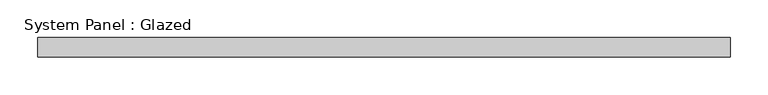
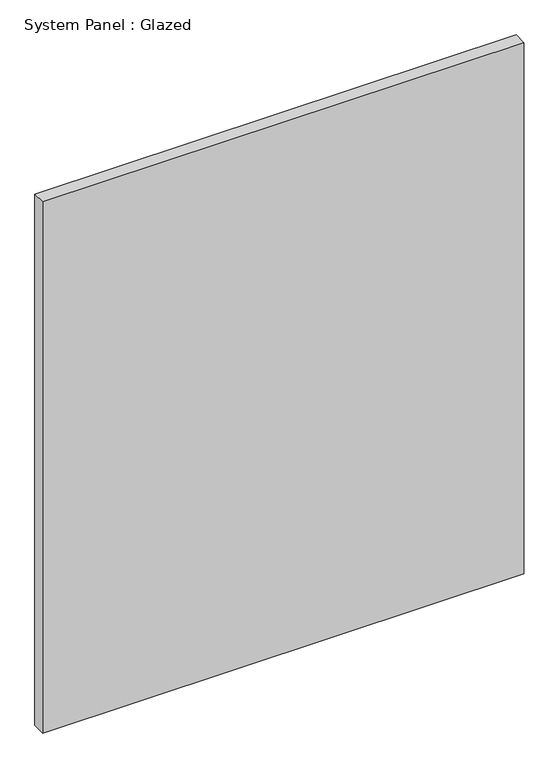
"""IFC4 building model written with IfcOpenShell, lengths in millimetres: plate geometry, System Panel : Glazed."""

from ifc_helpers import new_model, si_unit, origin, origin_with_axes, place, context, project, spatial, polyline, outline, extrude, source, transform, mapped, element, save


def system_panel_glazed_a1e87be2(model_context):
    return source(origin(), model_context, "Body", "SweptSolid", [
        extrude(outline(polyline([(457.2, -12.7), (-457.2, -12.7), (-457.2, 12.7), (457.2, 12.7), (457.2, -12.7)])), origin_with_axes(), (0.0, 0.0, 1.0), 1066.8),
    ])


if __name__ == "__main__":
    model = new_model("IFC4")
    model_context = context("Model", 3, world=origin())
    ifc_project = project(units=[si_unit("LENGTHUNIT", "METRE", prefix="MILLI")], contexts=[model_context])
    site = spatial("IfcSite", under=ifc_project)
    building = spatial("IfcBuilding", under=site)
    placement = place(None, origin())
    system_panel_glazed_shape = system_panel_glazed_a1e87be2(model_context)
    element("IfcPlate", 1, ObjectType="System Panel : Glazed", at=placement, inside=building, context=model_context, shape_type="MappedRepresentation", body=[
        mapped(system_panel_glazed_shape, transform((0.0, 0.0, 0.0), x_axis=(1.0, 0.0, 0.0), y_axis=(0.0, 1.0, 0.0), z_axis=(0.0, 0.0, 1.0))),
    ])
    save(model, "model.ifc")
